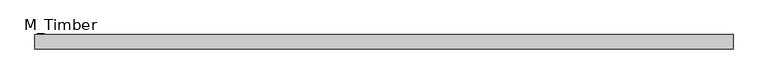
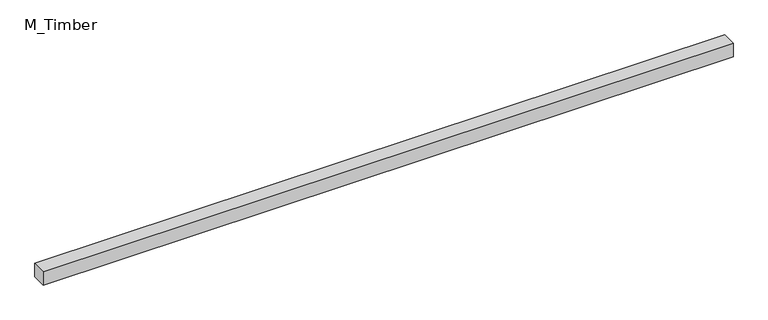
"""IFC4 building model written with IfcOpenShell, lengths in millimetres: beam geometry, M_Timber."""

from ifc_helpers import new_model, si_unit, frame, origin, place, context, project, spatial, polyline, outline, extrude, source, transform, mapped, element, save


def m_timber_465af351(model_context):
    return source(origin(), model_context, "Body", "SweptSolid", [
        extrude(outline(polyline([(966.7438609, 20.0), (966.7438609, -20.0), (-966.7438609, -20.0), (-966.7438609, 20.0), (966.7438609, 20.0)])), frame((0.0, 0.0, -20.0), z_axis=(0.0, 0.0, 1.0), x_axis=(1.0, 0.0, 0.0)), (0.0, 0.0, 1.0), 40.0),
    ])


if __name__ == "__main__":
    model = new_model("IFC4")
    model_context = context("Model", 3, world=origin())
    ifc_project = project(units=[si_unit("LENGTHUNIT", "METRE", prefix="MILLI")], contexts=[model_context])
    site = spatial("IfcSite", under=ifc_project)
    building = spatial("IfcBuilding", under=site)
    placement = place(None, origin())
    m_timber_shape = m_timber_465af351(model_context)
    element("IfcBeam", 1, ObjectType="M_Timber", at=placement, inside=building, context=model_context, shape_type="MappedRepresentation", body=[
        mapped(m_timber_shape, transform((0.0, 0.0, 0.0), x_axis=(1.0, 0.0, 0.0), y_axis=(0.0, 1.0, 0.0), z_axis=(0.0, 0.0, 1.0))),
    ])
    save(model, "model.ifc")
